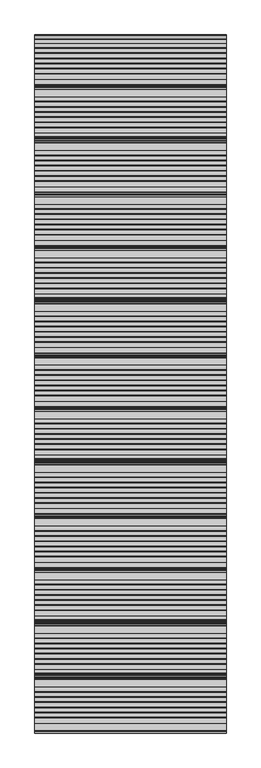
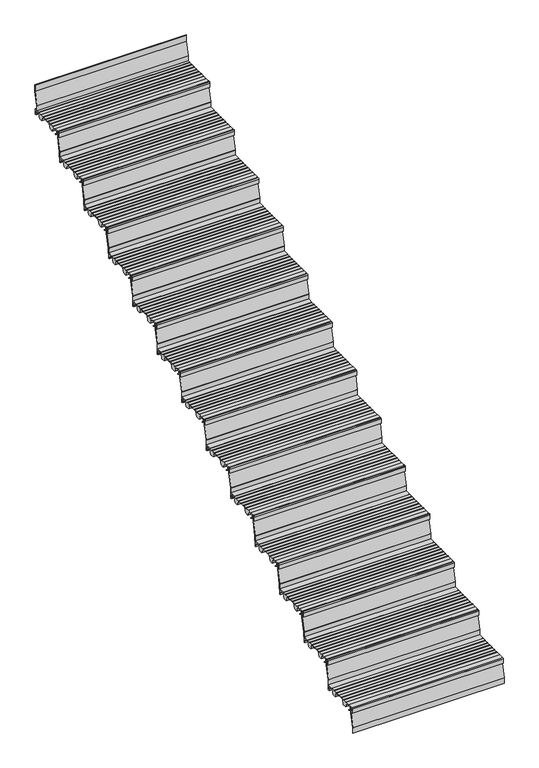
"""IFC4 building model written with IfcOpenShell, lengths in millimetres: stair flight geometry."""

from ifc_helpers import new_model, si_unit, point, frame, frame_2d, origin, place, context, project, spatial, polyline, circle_curve, trimmed, segment, composite_curve, outline, extrude, source, transform, mapped, element, save


def stair_flight_3bf7b53c(model_context):
    return source(origin(), model_context, "Body", "SweptSolid", [
        extrude(outline(composite_curve([segment(polyline([(-14035.7714581, 142.2436313), (-14024.0121655, 133.0961128), (-14020.5625929, 133.0885102), (-14020.5684453, 130.4330421), (-14024.9259703, 130.4426458), (-14038.2117943, 140.7776485), (-14038.8689923, 160.5772032), (-14055.6889024, 160.5401335), (-14055.6889024, 139.1885558), (-14049.7889347, 139.2015588), (-14049.7889347, 129.9429101), (-14058.9832568, 129.9429101), (-14058.9832568, 160.8235294)]), True, "CONTINUOUS"), segment(trimmed(circle_curve(frame_2d((-14053.9832568, 160.8235294)), 5.0), [point((-14058.9832568, 160.8235294))], [point((-14053.9832568, 165.8235294))], False, "CARTESIAN"), True, "CONTINUOUS"), segment(polyline([(-14053.9832568, 165.8235294), (-14019.2747035, 165.8235294), (-14019.2747035, 164.4415536), (-13989.2485475, 164.3753783), (-13989.2485475, 165.9642153), (-13987.213968, 165.9642153), (-13987.213968, 164.0199324), (-13962.3673917, 164.0199324), (-13962.3673917, 165.9642153), (-13960.3328122, 165.9642153), (-13960.3328122, 164.0199324), (-13935.4862358, 164.0199324), (-13935.4862358, 165.9642153), (-13933.4516563, 165.9642153), (-13933.4516563, 164.0199324), (-13908.60508, 164.0199324), (-13908.60508, 165.9642153), (-13906.5705005, 165.9642153), (-13906.5705005, 164.0199324), (-13881.7239241, 164.0199324), (-13881.7239241, 165.9642153), (-13879.6893446, 165.9642153), (-13879.6893446, 164.0199324), (-13854.852176, 164.0199324), (-13854.852176, 165.9642153), (-13852.8175965, 165.9642153), (-13852.8175965, 164.0199324), (-13827.9697223, 164.0199324), (-13827.9697223, 165.9094525), (-13788.9832568, 165.8235294), (-13788.9832568, 129.9226465), (-13798.1775789, 129.9429101), (-13798.1775789, 139.2015588), (-13792.2776112, 139.1885558), (-13792.2776112, 160.5401335), (-13830.4991521, 160.6243708), (-13841.2246336, 130.0377824), (-13866.1164136, 130.092642), (-13879.1103611, 161.2983621), (-13949.7810763, 161.4541148), (-13960.7051778, 130.3011082), (-13985.5969579, 130.3559677), (-13998.6696565, 161.7508134), (-14019.2747035, 161.7962253), (-14019.2747035, 160.6203875), (-14036.3801784, 160.5826884), (-14035.7714581, 142.2436313)]), True, "CONTINUOUS")], self_intersect=False)), frame((-11015.7515248, 0.0, 0.0), z_axis=(1.0, 0.0, 0.0), x_axis=(0.0, 1.0, 0.0)), (0.0, 0.0, 1.0), 1000.0),
        extrude(outline(composite_curve([segment(polyline([(-14047.4779196, 165.8235294), (-14045.4776692, 165.8235294), (-14045.4776692, 124.3665797)]), True, "CONTINUOUS"), segment(trimmed(circle_curve(frame_2d((-14049.3540568, 124.2822498)), 3.8773048), [point((-14045.4776692, 124.3665797))], [point((-14045.5840737, 123.376314))], False, "CARTESIAN"), True, "CONTINUOUS"), segment(polyline([(-14045.5840737, 123.376314), (-14066.9830064, 34.3262853), (-14066.9830064, -1.6764706), (-14068.9832568, -1.6764706), (-14068.9832568, 34.0170374)]), True, "CONTINUOUS"), segment(trimmed(circle_curve(frame_2d((-14064.394955, 34.0170374)), 4.5883018), [point((-14068.9832568, 34.0170374))], [point((-14068.8562551, 35.0890984))], False, "CARTESIAN"), True, "CONTINUOUS"), segment(polyline([(-14068.8562551, 35.0890984), (-14047.4779196, 124.0534134), (-14047.4779196, 165.8235294)]), True, "CONTINUOUS")], self_intersect=False)), frame((-11015.7515248, 0.0, 0.0), z_axis=(1.0, 0.0, 0.0), x_axis=(0.0, 1.0, 0.0)), (0.0, 0.0, 1.0), 1000.0),
        extrude(outline(composite_curve([segment(polyline([(-13767.4779196, 331.6470588), (-13765.4776692, 331.6470588), (-13765.4776692, 290.1901091)]), True, "CONTINUOUS"), segment(trimmed(circle_curve(frame_2d((-13769.3540568, 290.1057792)), 3.8773048), [point((-13765.4776692, 290.1901091))], [point((-13765.5840737, 289.1998434))], False, "CARTESIAN"), True, "CONTINUOUS"), segment(polyline([(-13765.5840737, 289.1998434), (-13786.9830064, 200.1498147), (-13786.9830064, 164.1470588), (-13788.9832568, 164.1470588), (-13788.9832568, 199.8405668)]), True, "CONTINUOUS"), segment(trimmed(circle_curve(frame_2d((-13784.394955, 199.8405668)), 4.5883018), [point((-13788.9832568, 199.8405668))], [point((-13788.8562551, 200.9126278))], False, "CARTESIAN"), True, "CONTINUOUS"), segment(polyline([(-13788.8562551, 200.9126278), (-13767.4779196, 289.8769428), (-13767.4779196, 331.6470588)]), True, "CONTINUOUS")], self_intersect=False)), frame((-11015.7515248, 0.0, 0.0), z_axis=(1.0, 0.0, 0.0), x_axis=(0.0, 1.0, 0.0)), (0.0, 0.0, 1.0), 1000.0),
        extrude(outline(composite_curve([segment(polyline([(-13755.7714581, 308.0671607), (-13744.0121655, 298.9196422), (-13740.5625929, 298.9120396), (-13740.5684453, 296.2565715), (-13744.9259703, 296.2661752), (-13758.2117943, 306.6011779), (-13758.8689923, 326.4007327), (-13775.6889024, 326.3636629), (-13775.6889024, 305.0120852), (-13769.7889347, 305.0250882), (-13769.7889347, 295.7664395), (-13778.9832568, 295.7664395), (-13778.9832568, 326.6470588)]), True, "CONTINUOUS"), segment(trimmed(circle_curve(frame_2d((-13773.9832568, 326.6470588)), 5.0), [point((-13778.9832568, 326.6470588))], [point((-13773.9832568, 331.6470588))], False, "CARTESIAN"), True, "CONTINUOUS"), segment(polyline([(-13773.9832568, 331.6470588), (-13739.2747035, 331.6470588), (-13739.2747035, 330.265083), (-13709.2485475, 330.1989077), (-13709.2485475, 331.7877447), (-13707.213968, 331.7877447), (-13707.213968, 329.8434618), (-13682.3673917, 329.8434618), (-13682.3673917, 331.7877447), (-13680.3328122, 331.7877447), (-13680.3328122, 329.8434618), (-13655.4862358, 329.8434618), (-13655.4862358, 331.7877447), (-13653.4516563, 331.7877447), (-13653.4516563, 329.8434618), (-13628.60508, 329.8434618), (-13628.60508, 331.7877447), (-13626.5705005, 331.7877447), (-13626.5705005, 329.8434618), (-13601.7239241, 329.8434618), (-13601.7239241, 331.7877447), (-13599.6893446, 331.7877447), (-13599.6893446, 329.8434618), (-13574.852176, 329.8434618), (-13574.852176, 331.7877447), (-13572.8175965, 331.7877447), (-13572.8175965, 329.8434618), (-13547.9697223, 329.8434618), (-13547.9697223, 331.7329819), (-13508.9832568, 331.6470588), (-13508.9832568, 295.7461759), (-13518.1775789, 295.7664395), (-13518.1775789, 305.0250882), (-13512.2776112, 305.0120852), (-13512.2776112, 326.3636629), (-13550.4991521, 326.4479002), (-13561.2246336, 295.8613118), (-13586.1164136, 295.9161714), (-13599.1103611, 327.1218915), (-13669.7810763, 327.2776442), (-13680.7051778, 296.1246376), (-13705.5969579, 296.1794971), (-13718.6696565, 327.5743428), (-13739.2747035, 327.6197548), (-13739.2747035, 326.4439169), (-13756.3801784, 326.4062178), (-13755.7714581, 308.0671607)]), True, "CONTINUOUS")], self_intersect=False)), frame((-11015.7515248, 0.0, 0.0), z_axis=(1.0, 0.0, 0.0), x_axis=(0.0, 1.0, 0.0)), (0.0, 0.0, 1.0), 1000.0),
        extrude(outline(composite_curve([segment(polyline([(-13487.4779196, 497.4705882), (-13485.4776692, 497.4705882), (-13485.4776692, 456.0136385)]), True, "CONTINUOUS"), segment(trimmed(circle_curve(frame_2d((-13489.3540568, 455.9293087)), 3.8773048), [point((-13485.4776692, 456.0136385))], [point((-13485.5840737, 455.0233728))], False, "CARTESIAN"), True, "CONTINUOUS"), segment(polyline([(-13485.5840737, 455.0233728), (-13506.9830064, 365.9733441), (-13506.9830064, 329.9705882), (-13508.9832568, 329.9705882), (-13508.9832568, 365.6640963)]), True, "CONTINUOUS"), segment(trimmed(circle_curve(frame_2d((-13504.394955, 365.6640963)), 4.5883018), [point((-13508.9832568, 365.6640963))], [point((-13508.8562551, 366.7361572))], False, "CARTESIAN"), True, "CONTINUOUS"), segment(polyline([(-13508.8562551, 366.7361572), (-13487.4779196, 455.7004722), (-13487.4779196, 497.4705882)]), True, "CONTINUOUS")], self_intersect=False)), frame((-11015.7515248, 0.0, 0.0), z_axis=(1.0, 0.0, 0.0), x_axis=(0.0, 1.0, 0.0)), (0.0, 0.0, 1.0), 1000.0),
        extrude(outline(composite_curve([segment(polyline([(-13475.7714581, 473.8906902), (-13464.0121655, 464.7431716), (-13460.5625929, 464.735569), (-13460.5684453, 462.080101), (-13464.9259703, 462.0897046), (-13478.2117943, 472.4247073), (-13478.8689923, 492.2242621), (-13495.6889024, 492.1871923), (-13495.6889024, 470.8356146), (-13489.7889347, 470.8486177), (-13489.7889347, 461.5899689), (-13498.9832568, 461.5899689), (-13498.9832568, 492.4705882)]), True, "CONTINUOUS"), segment(trimmed(circle_curve(frame_2d((-13493.9832568, 492.4705882)), 5.0), [point((-13498.9832568, 492.4705882))], [point((-13493.9832568, 497.4705882))], False, "CARTESIAN"), True, "CONTINUOUS"), segment(polyline([(-13493.9832568, 497.4705882), (-13459.2747035, 497.4705882), (-13459.2747035, 496.0886124), (-13429.2485475, 496.0224371), (-13429.2485475, 497.6112741), (-13427.213968, 497.6112741), (-13427.213968, 495.6669912), (-13402.3673917, 495.6669912), (-13402.3673917, 497.6112741), (-13400.3328122, 497.6112741), (-13400.3328122, 495.6669912), (-13375.4862358, 495.6669912), (-13375.4862358, 497.6112741), (-13373.4516563, 497.6112741), (-13373.4516563, 495.6669912), (-13348.60508, 495.6669912), (-13348.60508, 497.6112741), (-13346.5705005, 497.6112741), (-13346.5705005, 495.6669912), (-13321.7239241, 495.6669912), (-13321.7239241, 497.6112741), (-13319.6893446, 497.6112741), (-13319.6893446, 495.6669912), (-13294.852176, 495.6669912), (-13294.852176, 497.6112741), (-13292.8175965, 497.6112741), (-13292.8175965, 495.6669912), (-13267.9697223, 495.6669912), (-13267.9697223, 497.5565113), (-13228.9832568, 497.4705882), (-13228.9832568, 461.5697053), (-13238.1775789, 461.5899689), (-13238.1775789, 470.8486177), (-13232.2776112, 470.8356146), (-13232.2776112, 492.1871923), (-13270.4991521, 492.2714296), (-13281.2246336, 461.6848412), (-13306.1164136, 461.7397008), (-13319.1103611, 492.9454209), (-13389.7810763, 493.1011736), (-13400.7051778, 461.948167), (-13425.5969579, 462.0030265), (-13438.6696565, 493.3978723), (-13459.2747035, 493.4432842), (-13459.2747035, 492.2674463), (-13476.3801784, 492.2297472), (-13475.7714581, 473.8906902)]), True, "CONTINUOUS")], self_intersect=False)), frame((-11015.7515248, 0.0, 0.0), z_axis=(1.0, 0.0, 0.0), x_axis=(0.0, 1.0, 0.0)), (0.0, 0.0, 1.0), 1000.0),
        extrude(outline(composite_curve([segment(polyline([(-13207.4779196, 663.2941176), (-13205.4776692, 663.2941176), (-13205.4776692, 621.8371679)]), True, "CONTINUOUS"), segment(trimmed(circle_curve(frame_2d((-13209.3540568, 621.7528381)), 3.8773048), [point((-13205.4776692, 621.8371679))], [point((-13205.5840737, 620.8469022))], False, "CARTESIAN"), True, "CONTINUOUS"), segment(polyline([(-13205.5840737, 620.8469022), (-13226.9830064, 531.7968735), (-13226.9830064, 495.7941176), (-13228.9832568, 495.7941176), (-13228.9832568, 531.4876257)]), True, "CONTINUOUS"), segment(trimmed(circle_curve(frame_2d((-13224.394955, 531.4876257)), 4.5883018), [point((-13228.9832568, 531.4876257))], [point((-13228.8562551, 532.5596866))], False, "CARTESIAN"), True, "CONTINUOUS"), segment(polyline([(-13228.8562551, 532.5596866), (-13207.4779196, 621.5240017), (-13207.4779196, 663.2941176)]), True, "CONTINUOUS")], self_intersect=False)), frame((-11015.7515248, 0.0, 0.0), z_axis=(1.0, 0.0, 0.0), x_axis=(0.0, 1.0, 0.0)), (0.0, 0.0, 1.0), 1000.0),
        extrude(outline(composite_curve([segment(polyline([(-13195.7714581, 639.7142196), (-13184.0121655, 630.566701), (-13180.5625929, 630.5590984), (-13180.5684453, 627.9036304), (-13184.9259703, 627.913234), (-13198.2117943, 638.2482367), (-13198.8689923, 658.0477915), (-13215.6889024, 658.0107217), (-13215.6889024, 636.659144), (-13209.7889347, 636.6721471), (-13209.7889347, 627.4134983), (-13218.9832568, 627.4134983), (-13218.9832568, 658.2941176)]), True, "CONTINUOUS"), segment(trimmed(circle_curve(frame_2d((-13213.9832568, 658.2941176)), 5.0), [point((-13218.9832568, 658.2941176))], [point((-13213.9832568, 663.2941176))], False, "CARTESIAN"), True, "CONTINUOUS"), segment(polyline([(-13213.9832568, 663.2941176), (-13179.2747035, 663.2941176), (-13179.2747035, 661.9121418), (-13149.2485475, 661.8459665), (-13149.2485475, 663.4348035), (-13147.213968, 663.4348035), (-13147.213968, 661.4905206), (-13122.3673917, 661.4905206), (-13122.3673917, 663.4348035), (-13120.3328122, 663.4348035), (-13120.3328122, 661.4905206), (-13095.4862358, 661.4905206), (-13095.4862358, 663.4348035), (-13093.4516563, 663.4348035), (-13093.4516563, 661.4905206), (-13068.60508, 661.4905206), (-13068.60508, 663.4348035), (-13066.5705005, 663.4348035), (-13066.5705005, 661.4905206), (-13041.7239241, 661.4905206), (-13041.7239241, 663.4348035), (-13039.6893446, 663.4348035), (-13039.6893446, 661.4905206), (-13014.852176, 661.4905206), (-13014.852176, 663.4348035), (-13012.8175965, 663.4348035), (-13012.8175965, 661.4905206), (-12987.9697223, 661.4905206), (-12987.9697223, 663.3800408), (-12948.9832568, 663.2941176), (-12948.9832568, 627.3932348), (-12958.1775789, 627.4134983), (-12958.1775789, 636.6721471), (-12952.2776112, 636.659144), (-12952.2776112, 658.0107217), (-12990.4991521, 658.094959), (-13001.2246336, 627.5083707), (-13026.1164136, 627.5632302), (-13039.1103611, 658.7689503), (-13109.7810763, 658.9247031), (-13120.7051778, 627.7716964), (-13145.5969579, 627.8265559), (-13158.6696565, 659.2214017), (-13179.2747035, 659.2668136), (-13179.2747035, 658.0909758), (-13196.3801784, 658.0532766), (-13195.7714581, 639.7142196)]), True, "CONTINUOUS")], self_intersect=False)), frame((-11015.7515248, 0.0, 0.0), z_axis=(1.0, 0.0, 0.0), x_axis=(0.0, 1.0, 0.0)), (0.0, 0.0, 1.0), 1000.0),
        extrude(outline(composite_curve([segment(polyline([(-12927.4779196, 829.1176471), (-12925.4776692, 829.1176471), (-12925.4776692, 787.6606973)]), True, "CONTINUOUS"), segment(trimmed(circle_curve(frame_2d((-12929.3540568, 787.5763675)), 3.8773048), [point((-12925.4776692, 787.6606973))], [point((-12925.5840737, 786.6704316))], False, "CARTESIAN"), True, "CONTINUOUS"), segment(polyline([(-12925.5840737, 786.6704316), (-12946.9830064, 697.620403), (-12946.9830064, 661.6176471), (-12948.9832568, 661.6176471), (-12948.9832568, 697.3111551)]), True, "CONTINUOUS"), segment(trimmed(circle_curve(frame_2d((-12944.394955, 697.3111551)), 4.5883018), [point((-12948.9832568, 697.3111551))], [point((-12948.8562551, 698.3832161))], False, "CARTESIAN"), True, "CONTINUOUS"), segment(polyline([(-12948.8562551, 698.3832161), (-12927.4779196, 787.3475311), (-12927.4779196, 829.1176471)]), True, "CONTINUOUS")], self_intersect=False)), frame((-11015.7515248, 0.0, 0.0), z_axis=(1.0, 0.0, 0.0), x_axis=(0.0, 1.0, 0.0)), (0.0, 0.0, 1.0), 1000.0),
        extrude(outline(composite_curve([segment(polyline([(-12915.7714581, 805.537749), (-12904.0121655, 796.3902304), (-12900.5625929, 796.3826279), (-12900.5684453, 793.7271598), (-12904.9259703, 793.7367634), (-12918.2117943, 804.0717661), (-12918.8689923, 823.8713209), (-12935.6889024, 823.8342511), (-12935.6889024, 802.4826734), (-12929.7889347, 802.4956765), (-12929.7889347, 793.2370277), (-12938.9832568, 793.2370277), (-12938.9832568, 824.1176471)]), True, "CONTINUOUS"), segment(trimmed(circle_curve(frame_2d((-12933.9832568, 824.1176471)), 5.0), [point((-12938.9832568, 824.1176471))], [point((-12933.9832568, 829.1176471))], False, "CARTESIAN"), True, "CONTINUOUS"), segment(polyline([(-12933.9832568, 829.1176471), (-12899.2747035, 829.1176471), (-12899.2747035, 827.7356712), (-12869.2485475, 827.6694959), (-12869.2485475, 829.2583329), (-12867.213968, 829.2583329), (-12867.213968, 827.31405), (-12842.3673917, 827.31405), (-12842.3673917, 829.2583329), (-12840.3328122, 829.2583329), (-12840.3328122, 827.31405), (-12815.4862358, 827.31405), (-12815.4862358, 829.2583329), (-12813.4516563, 829.2583329), (-12813.4516563, 827.31405), (-12788.60508, 827.31405), (-12788.60508, 829.2583329), (-12786.5705005, 829.2583329), (-12786.5705005, 827.31405), (-12761.7239241, 827.31405), (-12761.7239241, 829.2583329), (-12759.6893446, 829.2583329), (-12759.6893446, 827.31405), (-12734.852176, 827.31405), (-12734.852176, 829.2583329), (-12732.8175965, 829.2583329), (-12732.8175965, 827.31405), (-12707.9697223, 827.31405), (-12707.9697223, 829.2035702), (-12668.9832568, 829.1176471), (-12668.9832568, 793.2167642), (-12678.1775789, 793.2370277), (-12678.1775789, 802.4956765), (-12672.2776112, 802.4826734), (-12672.2776112, 823.8342511), (-12710.4991521, 823.9184884), (-12721.2246336, 793.3319001), (-12746.1164136, 793.3867596), (-12759.1103611, 824.5924798), (-12829.7810763, 824.7482325), (-12840.7051778, 793.5952258), (-12865.5969579, 793.6500854), (-12878.6696565, 825.0449311), (-12899.2747035, 825.090343), (-12899.2747035, 823.9145052), (-12916.3801784, 823.876806), (-12915.7714581, 805.537749)]), True, "CONTINUOUS")], self_intersect=False)), frame((-11015.7515248, 0.0, 0.0), z_axis=(1.0, 0.0, 0.0), x_axis=(0.0, 1.0, 0.0)), (0.0, 0.0, 1.0), 1000.0),
        extrude(outline(composite_curve([segment(polyline([(-12647.4779196, 994.9411765), (-12645.4776692, 994.9411765), (-12645.4776692, 953.4842267)]), True, "CONTINUOUS"), segment(trimmed(circle_curve(frame_2d((-12649.3540568, 953.3998969)), 3.8773048), [point((-12645.4776692, 953.4842267))], [point((-12645.5840737, 952.493961))], False, "CARTESIAN"), True, "CONTINUOUS"), segment(polyline([(-12645.5840737, 952.493961), (-12666.9830064, 863.4439324), (-12666.9830064, 827.4411765), (-12668.9832568, 827.4411765), (-12668.9832568, 863.1346845)]), True, "CONTINUOUS"), segment(trimmed(circle_curve(frame_2d((-12664.394955, 863.1346845)), 4.5883018), [point((-12668.9832568, 863.1346845))], [point((-12668.8562551, 864.2067455))], False, "CARTESIAN"), True, "CONTINUOUS"), segment(polyline([(-12668.8562551, 864.2067455), (-12647.4779196, 953.1710605), (-12647.4779196, 994.9411765)]), True, "CONTINUOUS")], self_intersect=False)), frame((-11015.7515248, 0.0, 0.0), z_axis=(1.0, 0.0, 0.0), x_axis=(0.0, 1.0, 0.0)), (0.0, 0.0, 1.0), 1000.0),
        extrude(outline(composite_curve([segment(polyline([(-12635.7714581, 971.3612784), (-12624.0121655, 962.2137599), (-12620.5625929, 962.2061573), (-12620.5684453, 959.5506892), (-12624.9259703, 959.5602928), (-12638.2117943, 969.8952956), (-12638.8689923, 989.6948503), (-12655.6889024, 989.6577805), (-12655.6889024, 968.3062028), (-12649.7889347, 968.3192059), (-12649.7889347, 959.0605571), (-12658.9832568, 959.0605571), (-12658.9832568, 989.9411765)]), True, "CONTINUOUS"), segment(trimmed(circle_curve(frame_2d((-12653.9832568, 989.9411765)), 5.0), [point((-12658.9832568, 989.9411765))], [point((-12653.9832568, 994.9411765))], False, "CARTESIAN"), True, "CONTINUOUS"), segment(polyline([(-12653.9832568, 994.9411765), (-12619.2747035, 994.9411765), (-12619.2747035, 993.5592006), (-12589.2485475, 993.4930253), (-12589.2485475, 995.0818624), (-12587.213968, 995.0818624), (-12587.213968, 993.1375794), (-12562.3673917, 993.1375794), (-12562.3673917, 995.0818624), (-12560.3328122, 995.0818624), (-12560.3328122, 993.1375794), (-12535.4862358, 993.1375794), (-12535.4862358, 995.0818624), (-12533.4516563, 995.0818624), (-12533.4516563, 993.1375794), (-12508.60508, 993.1375794), (-12508.60508, 995.0818624), (-12506.5705005, 995.0818624), (-12506.5705005, 993.1375794), (-12481.7239241, 993.1375794), (-12481.7239241, 995.0818624), (-12479.6893446, 995.0818624), (-12479.6893446, 993.1375794), (-12454.852176, 993.1375794), (-12454.852176, 995.0818624), (-12452.8175965, 995.0818624), (-12452.8175965, 993.1375794), (-12427.9697223, 993.1375794), (-12427.9697223, 995.0270996), (-12388.9832568, 994.9411765), (-12388.9832568, 959.0402936), (-12398.1775789, 959.0605571), (-12398.1775789, 968.3192059), (-12392.2776112, 968.3062028), (-12392.2776112, 989.6577805), (-12430.4991521, 989.7420178), (-12441.2246336, 959.1554295), (-12466.1164136, 959.210289), (-12479.1103611, 990.4160092), (-12549.7810763, 990.5717619), (-12560.7051778, 959.4187552), (-12585.5969579, 959.4736148), (-12598.6696565, 990.8684605), (-12619.2747035, 990.9138724), (-12619.2747035, 989.7380346), (-12636.3801784, 989.7003355), (-12635.7714581, 971.3612784)]), True, "CONTINUOUS")], self_intersect=False)), frame((-11015.7515248, 0.0, 0.0), z_axis=(1.0, 0.0, 0.0), x_axis=(0.0, 1.0, 0.0)), (0.0, 0.0, 1.0), 1000.0),
        extrude(outline(composite_curve([segment(polyline([(-12367.4779196, 1160.7647059), (-12365.4776692, 1160.7647059), (-12365.4776692, 1119.3077562)]), True, "CONTINUOUS"), segment(trimmed(circle_curve(frame_2d((-12369.3540568, 1119.2234263)), 3.8773048), [point((-12365.4776692, 1119.3077562))], [point((-12365.5840737, 1118.3174904))], False, "CARTESIAN"), True, "CONTINUOUS"), segment(polyline([(-12365.5840737, 1118.3174904), (-12386.9830064, 1029.2674618), (-12386.9830064, 993.2647059), (-12388.9832568, 993.2647059), (-12388.9832568, 1028.9582139)]), True, "CONTINUOUS"), segment(trimmed(circle_curve(frame_2d((-12384.394955, 1028.9582139)), 4.5883018), [point((-12388.9832568, 1028.9582139))], [point((-12388.8562551, 1030.0302749))], False, "CARTESIAN"), True, "CONTINUOUS"), segment(polyline([(-12388.8562551, 1030.0302749), (-12367.4779196, 1118.9945899), (-12367.4779196, 1160.7647059)]), True, "CONTINUOUS")], self_intersect=False)), frame((-11015.7515248, 0.0, 0.0), z_axis=(1.0, 0.0, 0.0), x_axis=(0.0, 1.0, 0.0)), (0.0, 0.0, 1.0), 1000.0),
        extrude(outline(composite_curve([segment(polyline([(-12355.7714581, 1137.1848078), (-12344.0121655, 1128.0372893), (-12340.5625929, 1128.0296867), (-12340.5684453, 1125.3742186), (-12344.9259703, 1125.3838222), (-12358.2117943, 1135.718825), (-12358.8689923, 1155.5183797), (-12375.6889024, 1155.48131), (-12375.6889024, 1134.1297322), (-12369.7889347, 1134.1427353), (-12369.7889347, 1124.8840866), (-12378.9832568, 1124.8840866), (-12378.9832568, 1155.7647059)]), True, "CONTINUOUS"), segment(trimmed(circle_curve(frame_2d((-12373.9832568, 1155.7647059)), 5.0), [point((-12378.9832568, 1155.7647059))], [point((-12373.9832568, 1160.7647059))], False, "CARTESIAN"), True, "CONTINUOUS"), segment(polyline([(-12373.9832568, 1160.7647059), (-12339.2747035, 1160.7647059), (-12339.2747035, 1159.38273), (-12309.2485475, 1159.3165547), (-12309.2485475, 1160.9053918), (-12307.213968, 1160.9053918), (-12307.213968, 1158.9611088), (-12282.3673917, 1158.9611088), (-12282.3673917, 1160.9053918), (-12280.3328122, 1160.9053918), (-12280.3328122, 1158.9611088), (-12255.4862358, 1158.9611088), (-12255.4862358, 1160.9053918), (-12253.4516563, 1160.9053918), (-12253.4516563, 1158.9611088), (-12228.60508, 1158.9611088), (-12228.60508, 1160.9053918), (-12226.5705005, 1160.9053918), (-12226.5705005, 1158.9611088), (-12201.7239241, 1158.9611088), (-12201.7239241, 1160.9053918), (-12199.6893446, 1160.9053918), (-12199.6893446, 1158.9611088), (-12174.852176, 1158.9611088), (-12174.852176, 1160.9053918), (-12172.8175965, 1160.9053918), (-12172.8175965, 1158.9611088), (-12147.9697223, 1158.9611088), (-12147.9697223, 1160.850629), (-12108.9832568, 1160.7647059), (-12108.9832568, 1124.863823), (-12118.1775789, 1124.8840866), (-12118.1775789, 1134.1427353), (-12112.2776112, 1134.1297322), (-12112.2776112, 1155.48131), (-12150.4991521, 1155.5655472), (-12161.2246336, 1124.9789589), (-12186.1164136, 1125.0338184), (-12199.1103611, 1156.2395386), (-12269.7810763, 1156.3952913), (-12280.7051778, 1125.2422846), (-12305.5969579, 1125.2971442), (-12318.6696565, 1156.6919899), (-12339.2747035, 1156.7374018), (-12339.2747035, 1155.561564), (-12356.3801784, 1155.5238649), (-12355.7714581, 1137.1848078)]), True, "CONTINUOUS")], self_intersect=False)), frame((-11015.7515248, 0.0, 0.0), z_axis=(1.0, 0.0, 0.0), x_axis=(0.0, 1.0, 0.0)), (0.0, 0.0, 1.0), 1000.0),
        extrude(outline(composite_curve([segment(polyline([(-12087.4779196, 1326.5882353), (-12085.4776692, 1326.5882353), (-12085.4776692, 1285.1312856)]), True, "CONTINUOUS"), segment(trimmed(circle_curve(frame_2d((-12089.3540568, 1285.0469557)), 3.8773048), [point((-12085.4776692, 1285.1312856))], [point((-12085.5840737, 1284.1410199))], False, "CARTESIAN"), True, "CONTINUOUS"), segment(polyline([(-12085.5840737, 1284.1410199), (-12106.9830064, 1195.0909912), (-12106.9830064, 1159.0882353), (-12108.9832568, 1159.0882353), (-12108.9832568, 1194.7817433)]), True, "CONTINUOUS"), segment(trimmed(circle_curve(frame_2d((-12104.394955, 1194.7817433)), 4.5883018), [point((-12108.9832568, 1194.7817433))], [point((-12108.8562551, 1195.8538043))], False, "CARTESIAN"), True, "CONTINUOUS"), segment(polyline([(-12108.8562551, 1195.8538043), (-12087.4779196, 1284.8181193), (-12087.4779196, 1326.5882353)]), True, "CONTINUOUS")], self_intersect=False)), frame((-11015.7515248, 0.0, 0.0), z_axis=(1.0, 0.0, 0.0), x_axis=(0.0, 1.0, 0.0)), (0.0, 0.0, 1.0), 1000.0),
        extrude(outline(composite_curve([segment(polyline([(-12075.7714581, 1303.0083372), (-12064.0121655, 1293.8608187), (-12060.5625929, 1293.8532161), (-12060.5684453, 1291.197748), (-12064.9259703, 1291.2073517), (-12078.2117943, 1301.5423544), (-12078.8689923, 1321.3419091), (-12095.6889024, 1321.3048394), (-12095.6889024, 1299.9532616), (-12089.7889347, 1299.9662647), (-12089.7889347, 1290.707616), (-12098.9832568, 1290.707616), (-12098.9832568, 1321.5882353)]), True, "CONTINUOUS"), segment(trimmed(circle_curve(frame_2d((-12093.9832568, 1321.5882353)), 5.0), [point((-12098.9832568, 1321.5882353))], [point((-12093.9832568, 1326.5882353))], False, "CARTESIAN"), True, "CONTINUOUS"), segment(polyline([(-12093.9832568, 1326.5882353), (-12059.2747035, 1326.5882353), (-12059.2747035, 1325.2062594), (-12029.2485475, 1325.1400841), (-12029.2485475, 1326.7289212), (-12027.213968, 1326.7289212), (-12027.213968, 1324.7846383), (-12002.3673917, 1324.7846383), (-12002.3673917, 1326.7289212), (-12000.3328122, 1326.7289212), (-12000.3328122, 1324.7846383), (-11975.4862358, 1324.7846383), (-11975.4862358, 1326.7289212), (-11973.4516563, 1326.7289212), (-11973.4516563, 1324.7846383), (-11948.60508, 1324.7846383), (-11948.60508, 1326.7289212), (-11946.5705005, 1326.7289212), (-11946.5705005, 1324.7846383), (-11921.7239241, 1324.7846383), (-11921.7239241, 1326.7289212), (-11919.6893446, 1326.7289212), (-11919.6893446, 1324.7846383), (-11894.852176, 1324.7846383), (-11894.852176, 1326.7289212), (-11892.8175965, 1326.7289212), (-11892.8175965, 1324.7846383), (-11867.9697223, 1324.7846383), (-11867.9697223, 1326.6741584), (-11828.9832568, 1326.5882353), (-11828.9832568, 1290.6873524), (-11838.1775789, 1290.707616), (-11838.1775789, 1299.9662647), (-11832.2776112, 1299.9532616), (-11832.2776112, 1321.3048394), (-11870.4991521, 1321.3890766), (-11881.2246336, 1290.8024883), (-11906.1164136, 1290.8573478), (-11919.1103611, 1322.063068), (-11989.7810763, 1322.2188207), (-12000.7051778, 1291.0658141), (-12025.5969579, 1291.1206736), (-12038.6696565, 1322.5155193), (-12059.2747035, 1322.5609312), (-12059.2747035, 1321.3850934), (-12076.3801784, 1321.3473943), (-12075.7714581, 1303.0083372)]), True, "CONTINUOUS")], self_intersect=False)), frame((-11015.7515248, 0.0, 0.0), z_axis=(1.0, 0.0, 0.0), x_axis=(0.0, 1.0, 0.0)), (0.0, 0.0, 1.0), 1000.0),
        extrude(outline(composite_curve([segment(polyline([(-11807.4779196, 1492.4117647), (-11805.4776692, 1492.4117647), (-11805.4776692, 1450.954815)]), True, "CONTINUOUS"), segment(trimmed(circle_curve(frame_2d((-11809.3540568, 1450.8704851)), 3.8773048), [point((-11805.4776692, 1450.954815))], [point((-11805.5840737, 1449.9645493))], False, "CARTESIAN"), True, "CONTINUOUS"), segment(polyline([(-11805.5840737, 1449.9645493), (-11826.9830064, 1360.9145206), (-11826.9830064, 1324.9117647), (-11828.9832568, 1324.9117647), (-11828.9832568, 1360.6052727)]), True, "CONTINUOUS"), segment(trimmed(circle_curve(frame_2d((-11824.394955, 1360.6052727)), 4.5883018), [point((-11828.9832568, 1360.6052727))], [point((-11828.8562551, 1361.6773337))], False, "CARTESIAN"), True, "CONTINUOUS"), segment(polyline([(-11828.8562551, 1361.6773337), (-11807.4779196, 1450.6416487), (-11807.4779196, 1492.4117647)]), True, "CONTINUOUS")], self_intersect=False)), frame((-11015.7515248, 0.0, 0.0), z_axis=(1.0, 0.0, 0.0), x_axis=(0.0, 1.0, 0.0)), (0.0, 0.0, 1.0), 1000.0),
        extrude(outline(composite_curve([segment(polyline([(-11795.7714581, 1468.8318666), (-11784.0121655, 1459.6843481), (-11780.5625929, 1459.6767455), (-11780.5684453, 1457.0212774), (-11784.9259703, 1457.0308811), (-11798.2117943, 1467.3658838), (-11798.8689923, 1487.1654385), (-11815.6889024, 1487.1283688), (-11815.6889024, 1465.7767911), (-11809.7889347, 1465.7897941), (-11809.7889347, 1456.5311454), (-11818.9832568, 1456.5311454), (-11818.9832568, 1487.4117647)]), True, "CONTINUOUS"), segment(trimmed(circle_curve(frame_2d((-11813.9832568, 1487.4117647)), 5.0), [point((-11818.9832568, 1487.4117647))], [point((-11813.9832568, 1492.4117647))], False, "CARTESIAN"), True, "CONTINUOUS"), segment(polyline([(-11813.9832568, 1492.4117647), (-11779.2747035, 1492.4117647), (-11779.2747035, 1491.0297889), (-11749.2485475, 1490.9636136), (-11749.2485475, 1492.5524506), (-11747.213968, 1492.5524506), (-11747.213968, 1490.6081677), (-11722.3673917, 1490.6081677), (-11722.3673917, 1492.5524506), (-11720.3328122, 1492.5524506), (-11720.3328122, 1490.6081677), (-11695.4862358, 1490.6081677), (-11695.4862358, 1492.5524506), (-11693.4516563, 1492.5524506), (-11693.4516563, 1490.6081677), (-11668.60508, 1490.6081677), (-11668.60508, 1492.5524506), (-11666.5705005, 1492.5524506), (-11666.5705005, 1490.6081677), (-11641.7239241, 1490.6081677), (-11641.7239241, 1492.5524506), (-11639.6893446, 1492.5524506), (-11639.6893446, 1490.6081677), (-11614.852176, 1490.6081677), (-11614.852176, 1492.5524506), (-11612.8175965, 1492.5524506), (-11612.8175965, 1490.6081677), (-11587.9697223, 1490.6081677), (-11587.9697223, 1492.4976878), (-11548.9832568, 1492.4117647), (-11548.9832568, 1456.5108818), (-11558.1775789, 1456.5311454), (-11558.1775789, 1465.7897941), (-11552.2776112, 1465.7767911), (-11552.2776112, 1487.1283688), (-11590.4991521, 1487.2126061), (-11601.2246336, 1456.6260177), (-11626.1164136, 1456.6808772), (-11639.1103611, 1487.8865974), (-11709.7810763, 1488.0423501), (-11720.7051778, 1456.8893435), (-11745.5969579, 1456.944203), (-11758.6696565, 1488.3390487), (-11779.2747035, 1488.3844606), (-11779.2747035, 1487.2086228), (-11796.3801784, 1487.1709237), (-11795.7714581, 1468.8318666)]), True, "CONTINUOUS")], self_intersect=False)), frame((-11015.7515248, 0.0, 0.0), z_axis=(1.0, 0.0, 0.0), x_axis=(0.0, 1.0, 0.0)), (0.0, 0.0, 1.0), 1000.0),
        extrude(outline(composite_curve([segment(polyline([(-11527.4779196, 1658.2352941), (-11525.4776692, 1658.2352941), (-11525.4776692, 1616.7783444)]), True, "CONTINUOUS"), segment(trimmed(circle_curve(frame_2d((-11529.3540568, 1616.6940145)), 3.8773048), [point((-11525.4776692, 1616.7783444))], [point((-11525.5840737, 1615.7880787))], False, "CARTESIAN"), True, "CONTINUOUS"), segment(polyline([(-11525.5840737, 1615.7880787), (-11546.9830064, 1526.73805), (-11546.9830064, 1490.7352941), (-11548.9832568, 1490.7352941), (-11548.9832568, 1526.4288021)]), True, "CONTINUOUS"), segment(trimmed(circle_curve(frame_2d((-11544.394955, 1526.4288021)), 4.5883018), [point((-11548.9832568, 1526.4288021))], [point((-11548.8562551, 1527.5008631))], False, "CARTESIAN"), True, "CONTINUOUS"), segment(polyline([(-11548.8562551, 1527.5008631), (-11527.4779196, 1616.4651781), (-11527.4779196, 1658.2352941)]), True, "CONTINUOUS")], self_intersect=False)), frame((-11015.7515248, 0.0, 0.0), z_axis=(1.0, 0.0, 0.0), x_axis=(0.0, 1.0, 0.0)), (0.0, 0.0, 1.0), 1000.0),
        extrude(outline(composite_curve([segment(polyline([(-11515.7714581, 1634.655396), (-11504.0121655, 1625.5078775), (-11500.5625929, 1625.5002749), (-11500.5684453, 1622.8448068), (-11504.9259703, 1622.8544105), (-11518.2117943, 1633.1894132), (-11518.8689923, 1652.988968), (-11535.6889024, 1652.9518982), (-11535.6889024, 1631.6003205), (-11529.7889347, 1631.6133235), (-11529.7889347, 1622.3546748), (-11538.9832568, 1622.3546748), (-11538.9832568, 1653.2352941)]), True, "CONTINUOUS"), segment(trimmed(circle_curve(frame_2d((-11533.9832568, 1653.2352941)), 5.0), [point((-11538.9832568, 1653.2352941))], [point((-11533.9832568, 1658.2352941))], False, "CARTESIAN"), True, "CONTINUOUS"), segment(polyline([(-11533.9832568, 1658.2352941), (-11499.2747035, 1658.2352941), (-11499.2747035, 1656.8533183), (-11469.2485475, 1656.787143), (-11469.2485475, 1658.37598), (-11467.213968, 1658.37598), (-11467.213968, 1656.4316971), (-11442.3673917, 1656.4316971), (-11442.3673917, 1658.37598), (-11440.3328122, 1658.37598), (-11440.3328122, 1656.4316971), (-11415.4862358, 1656.4316971), (-11415.4862358, 1658.37598), (-11413.4516563, 1658.37598), (-11413.4516563, 1656.4316971), (-11388.60508, 1656.4316971), (-11388.60508, 1658.37598), (-11386.5705005, 1658.37598), (-11386.5705005, 1656.4316971), (-11361.7239241, 1656.4316971), (-11361.7239241, 1658.37598), (-11359.6893446, 1658.37598), (-11359.6893446, 1656.4316971), (-11334.852176, 1656.4316971), (-11334.852176, 1658.37598), (-11332.8175965, 1658.37598), (-11332.8175965, 1656.4316971), (-11307.9697223, 1656.4316971), (-11307.9697223, 1658.3212172), (-11268.9832568, 1658.2352941), (-11268.9832568, 1622.3344112), (-11278.1775789, 1622.3546748), (-11278.1775789, 1631.6133235), (-11272.2776112, 1631.6003205), (-11272.2776112, 1652.9518982), (-11310.4991521, 1653.0361355), (-11321.2246336, 1622.4495471), (-11346.1164136, 1622.5044067), (-11359.1103611, 1653.7101268), (-11429.7810763, 1653.8658795), (-11440.7051778, 1622.7128729), (-11465.5969579, 1622.7677324), (-11478.6696565, 1654.1625781), (-11499.2747035, 1654.2079901), (-11499.2747035, 1653.0321522), (-11516.3801784, 1652.9944531), (-11515.7714581, 1634.655396)]), True, "CONTINUOUS")], self_intersect=False)), frame((-11015.7515248, 0.0, 0.0), z_axis=(1.0, 0.0, 0.0), x_axis=(0.0, 1.0, 0.0)), (0.0, 0.0, 1.0), 1000.0),
        extrude(outline(composite_curve([segment(polyline([(-11247.4779196, 1824.0588235), (-11245.4776692, 1824.0588235), (-11245.4776692, 1782.6018738)]), True, "CONTINUOUS"), segment(trimmed(circle_curve(frame_2d((-11249.3540568, 1782.5175439)), 3.8773048), [point((-11245.4776692, 1782.6018738))], [point((-11245.5840737, 1781.6116081))], False, "CARTESIAN"), True, "CONTINUOUS"), segment(polyline([(-11245.5840737, 1781.6116081), (-11266.9830064, 1692.5615794), (-11266.9830064, 1656.5588235), (-11268.9832568, 1656.5588235), (-11268.9832568, 1692.2523315)]), True, "CONTINUOUS"), segment(trimmed(circle_curve(frame_2d((-11264.394955, 1692.2523315)), 4.5883018), [point((-11268.9832568, 1692.2523315))], [point((-11268.8562551, 1693.3243925))], False, "CARTESIAN"), True, "CONTINUOUS"), segment(polyline([(-11268.8562551, 1693.3243925), (-11247.4779196, 1782.2887075), (-11247.4779196, 1824.0588235)]), True, "CONTINUOUS")], self_intersect=False)), frame((-11015.7515248, 0.0, 0.0), z_axis=(1.0, 0.0, 0.0), x_axis=(0.0, 1.0, 0.0)), (0.0, 0.0, 1.0), 1000.0),
        extrude(outline(composite_curve([segment(polyline([(-11235.7714581, 1800.4789255), (-11224.0121655, 1791.3314069), (-11220.5625929, 1791.3238043), (-11220.5684453, 1788.6683362), (-11224.9259703, 1788.6779399), (-11238.2117943, 1799.0129426), (-11238.8689923, 1818.8124974), (-11255.6889024, 1818.7754276), (-11255.6889024, 1797.4238499), (-11249.7889347, 1797.436853), (-11249.7889347, 1788.1782042), (-11258.9832568, 1788.1782042), (-11258.9832568, 1819.0588235)]), True, "CONTINUOUS"), segment(trimmed(circle_curve(frame_2d((-11253.9832568, 1819.0588235)), 5.0), [point((-11258.9832568, 1819.0588235))], [point((-11253.9832568, 1824.0588235))], False, "CARTESIAN"), True, "CONTINUOUS"), segment(polyline([(-11253.9832568, 1824.0588235), (-11219.2747035, 1824.0588235), (-11219.2747035, 1822.6768477), (-11189.2485475, 1822.6106724), (-11189.2485475, 1824.1995094), (-11187.213968, 1824.1995094), (-11187.213968, 1822.2552265), (-11162.3673917, 1822.2552265), (-11162.3673917, 1824.1995094), (-11160.3328122, 1824.1995094), (-11160.3328122, 1822.2552265), (-11135.4862358, 1822.2552265), (-11135.4862358, 1824.1995094), (-11133.4516563, 1824.1995094), (-11133.4516563, 1822.2552265), (-11108.60508, 1822.2552265), (-11108.60508, 1824.1995094), (-11106.5705005, 1824.1995094), (-11106.5705005, 1822.2552265), (-11081.7239241, 1822.2552265), (-11081.7239241, 1824.1995094), (-11079.6893446, 1824.1995094), (-11079.6893446, 1822.2552265), (-11054.852176, 1822.2552265), (-11054.852176, 1824.1995094), (-11052.8175965, 1824.1995094), (-11052.8175965, 1822.2552265), (-11027.9697223, 1822.2552265), (-11027.9697223, 1824.1447466), (-10988.9832568, 1824.0588235), (-10988.9832568, 1788.1579406), (-10998.1775789, 1788.1782042), (-10998.1775789, 1797.436853), (-10992.2776112, 1797.4238499), (-10992.2776112, 1818.7754276), (-11030.4991521, 1818.8596649), (-11041.2246336, 1788.2730765), (-11066.1164136, 1788.3279361), (-11079.1103611, 1819.5336562), (-11149.7810763, 1819.6894089), (-11160.7051778, 1788.5364023), (-11185.5969579, 1788.5912618), (-11198.6696565, 1819.9861076), (-11219.2747035, 1820.0315195), (-11219.2747035, 1818.8556816), (-11236.3801784, 1818.8179825), (-11235.7714581, 1800.4789255)]), True, "CONTINUOUS")], self_intersect=False)), frame((-11015.7515248, 0.0, 0.0), z_axis=(1.0, 0.0, 0.0), x_axis=(0.0, 1.0, 0.0)), (0.0, 0.0, 1.0), 1000.0),
        extrude(outline(composite_curve([segment(polyline([(-10967.4779196, 1989.8823529), (-10965.4776692, 1989.8823529), (-10965.4776692, 1948.4254032)]), True, "CONTINUOUS"), segment(trimmed(circle_curve(frame_2d((-10969.3540568, 1948.3410734)), 3.8773048), [point((-10965.4776692, 1948.4254032))], [point((-10965.5840737, 1947.4351375))], False, "CARTESIAN"), True, "CONTINUOUS"), segment(polyline([(-10965.5840737, 1947.4351375), (-10986.9830064, 1858.3851088), (-10986.9830064, 1822.3823529), (-10988.9832568, 1822.3823529), (-10988.9832568, 1858.075861)]), True, "CONTINUOUS"), segment(trimmed(circle_curve(frame_2d((-10984.394955, 1858.075861)), 4.5883018), [point((-10988.9832568, 1858.075861))], [point((-10988.8562551, 1859.1479219))], False, "CARTESIAN"), True, "CONTINUOUS"), segment(polyline([(-10988.8562551, 1859.1479219), (-10967.4779196, 1948.112237), (-10967.4779196, 1989.8823529)]), True, "CONTINUOUS")], self_intersect=False)), frame((-11015.7515248, 0.0, 0.0), z_axis=(1.0, 0.0, 0.0), x_axis=(0.0, 1.0, 0.0)), (0.0, 0.0, 1.0), 1000.0),
        extrude(outline(composite_curve([segment(polyline([(-10955.7714581, 1966.3024549), (-10944.0121655, 1957.1549363), (-10940.5625929, 1957.1473337), (-10940.5684453, 1954.4918657), (-10944.9259703, 1954.5014693), (-10958.2117943, 1964.836472), (-10958.8689923, 1984.6360268), (-10975.6889024, 1984.598957), (-10975.6889024, 1963.2473793), (-10969.7889347, 1963.2603824), (-10969.7889347, 1954.0017336), (-10978.9832568, 1954.0017336), (-10978.9832568, 1984.8823529)]), True, "CONTINUOUS"), segment(trimmed(circle_curve(frame_2d((-10973.9832568, 1984.8823529)), 5.0), [point((-10978.9832568, 1984.8823529))], [point((-10973.9832568, 1989.8823529))], False, "CARTESIAN"), True, "CONTINUOUS"), segment(polyline([(-10973.9832568, 1989.8823529), (-10939.2747035, 1989.8823529), (-10939.2747035, 1988.5003771), (-10909.2485475, 1988.4342018), (-10909.2485475, 1990.0230388), (-10907.213968, 1990.0230388), (-10907.213968, 1988.0787559), (-10882.3673917, 1988.0787559), (-10882.3673917, 1990.0230388), (-10880.3328122, 1990.0230388), (-10880.3328122, 1988.0787559), (-10855.4862358, 1988.0787559), (-10855.4862358, 1990.0230388), (-10853.4516563, 1990.0230388), (-10853.4516563, 1988.0787559), (-10828.60508, 1988.0787559), (-10828.60508, 1990.0230388), (-10826.5705005, 1990.0230388), (-10826.5705005, 1988.0787559), (-10801.7239241, 1988.0787559), (-10801.7239241, 1990.0230388), (-10799.6893446, 1990.0230388), (-10799.6893446, 1988.0787559), (-10774.852176, 1988.0787559), (-10774.852176, 1990.0230388), (-10772.8175965, 1990.0230388), (-10772.8175965, 1988.0787559), (-10747.9697223, 1988.0787559), (-10747.9697223, 1989.9682761), (-10708.9832568, 1989.8823529), (-10708.9832568, 1953.9814701), (-10718.1775789, 1954.0017336), (-10718.1775789, 1963.2603824), (-10712.2776112, 1963.2473793), (-10712.2776112, 1984.598957), (-10750.4991521, 1984.6831943), (-10761.2246336, 1954.096606), (-10786.1164136, 1954.1514655), (-10799.1103611, 1985.3571856), (-10869.7810763, 1985.5129384), (-10880.7051778, 1954.3599317), (-10905.5969579, 1954.4147912), (-10918.6696565, 1985.809637), (-10939.2747035, 1985.8550489), (-10939.2747035, 1984.6792111), (-10956.3801784, 1984.6415119), (-10955.7714581, 1966.3024549)]), True, "CONTINUOUS")], self_intersect=False)), frame((-11015.7515248, 0.0, 0.0), z_axis=(1.0, 0.0, 0.0), x_axis=(0.0, 1.0, 0.0)), (0.0, 0.0, 1.0), 1000.0),
        extrude(outline(composite_curve([segment(polyline([(-10427.4779196, 2321.5294118), (-10425.4776692, 2321.5294118), (-10425.4776692, 2280.072462)]), True, "CONTINUOUS"), segment(trimmed(circle_curve(frame_2d((-10429.3540568, 2279.9881322)), 3.8773048), [point((-10425.4776692, 2280.072462))], [point((-10425.5840737, 2279.0821963))], False, "CARTESIAN"), True, "CONTINUOUS"), segment(polyline([(-10425.5840737, 2279.0821963), (-10446.9830064, 2190.0321677), (-10446.9830064, 2154.0294118), (-10448.9832568, 2154.0294118), (-10448.9832568, 2189.7229198)]), True, "CONTINUOUS"), segment(trimmed(circle_curve(frame_2d((-10444.394955, 2189.7229198)), 4.5883018), [point((-10448.9832568, 2189.7229198))], [point((-10448.8562551, 2190.7949808))], False, "CARTESIAN"), True, "CONTINUOUS"), segment(polyline([(-10448.8562551, 2190.7949808), (-10427.4779196, 2279.7592958), (-10427.4779196, 2321.5294118)]), True, "CONTINUOUS")], self_intersect=False)), frame((-11015.7515248, 0.0, 0.0), z_axis=(1.0, 0.0, 0.0), x_axis=(0.0, 1.0, 0.0)), (0.0, 0.0, 1.0), 1000.0),
        extrude(outline(composite_curve([segment(polyline([(-10687.4779196, 2155.7058824), (-10685.4776692, 2155.7058824), (-10685.4776692, 2114.2489326)]), True, "CONTINUOUS"), segment(trimmed(circle_curve(frame_2d((-10689.3540568, 2114.1646028)), 3.8773048), [point((-10685.4776692, 2114.2489326))], [point((-10685.5840737, 2113.2586669))], False, "CARTESIAN"), True, "CONTINUOUS"), segment(polyline([(-10685.5840737, 2113.2586669), (-10706.9830064, 2024.2086383), (-10706.9830064, 1988.2058824), (-10708.9832568, 1988.2058824), (-10708.9832568, 2023.8993904)]), True, "CONTINUOUS"), segment(trimmed(circle_curve(frame_2d((-10704.394955, 2023.8993904)), 4.5883018), [point((-10708.9832568, 2023.8993904))], [point((-10708.8562551, 2024.9714513))], False, "CARTESIAN"), True, "CONTINUOUS"), segment(polyline([(-10708.8562551, 2024.9714513), (-10687.4779196, 2113.9357664), (-10687.4779196, 2155.7058824)]), True, "CONTINUOUS")], self_intersect=False)), frame((-11015.7515248, 0.0, 0.0), z_axis=(1.0, 0.0, 0.0), x_axis=(0.0, 1.0, 0.0)), (0.0, 0.0, 1.0), 1000.0),
        extrude(outline(composite_curve([segment(polyline([(-10675.7714581, 2132.1259843), (-10664.0121655, 2122.9784657), (-10660.5625929, 2122.9708632), (-10660.5684453, 2120.3153951), (-10664.9259703, 2120.3249987), (-10678.2117943, 2130.6600014), (-10678.8689923, 2150.4595562), (-10695.6889024, 2150.4224864), (-10695.6889024, 2129.0709087), (-10689.7889347, 2129.0839118), (-10689.7889347, 2119.825263), (-10698.9832568, 2119.825263), (-10698.9832568, 2150.7058824)]), True, "CONTINUOUS"), segment(trimmed(circle_curve(frame_2d((-10693.9832568, 2150.7058824)), 5.0), [point((-10698.9832568, 2150.7058824))], [point((-10693.9832568, 2155.7058824))], False, "CARTESIAN"), True, "CONTINUOUS"), segment(polyline([(-10693.9832568, 2155.7058824), (-10659.2747035, 2155.7058824), (-10659.2747035, 2154.3239065), (-10629.2485475, 2154.2577312), (-10629.2485475, 2155.8465682), (-10627.213968, 2155.8465682), (-10627.213968, 2153.9022853), (-10602.3673917, 2153.9022853), (-10602.3673917, 2155.8465682), (-10600.3328122, 2155.8465682), (-10600.3328122, 2153.9022853), (-10575.4862358, 2153.9022853), (-10575.4862358, 2155.8465682), (-10573.4516563, 2155.8465682), (-10573.4516563, 2153.9022853), (-10548.60508, 2153.9022853), (-10548.60508, 2155.8465682), (-10546.5705005, 2155.8465682), (-10546.5705005, 2153.9022853), (-10521.7239241, 2153.9022853), (-10521.7239241, 2155.8465682), (-10519.6893446, 2155.8465682), (-10519.6893446, 2153.9022853), (-10494.852176, 2153.9022853), (-10494.852176, 2155.8465682), (-10492.8175965, 2155.8465682), (-10492.8175965, 2153.9022853), (-10467.9697223, 2153.9022853), (-10467.9697223, 2155.7918055), (-10428.9832568, 2155.7058824), (-10428.9832568, 2119.8049995), (-10438.1775789, 2119.825263), (-10438.1775789, 2129.0839118), (-10432.2776112, 2129.0709087), (-10432.2776112, 2150.4224864), (-10470.4991521, 2150.5067237), (-10481.2246336, 2119.9201354), (-10506.1164136, 2119.9749949), (-10519.1103611, 2151.180715), (-10589.7810763, 2151.3364678), (-10600.7051778, 2120.1834611), (-10625.5969579, 2120.2383207), (-10638.6696565, 2151.6331664), (-10659.2747035, 2151.6785783), (-10659.2747035, 2150.5027405), (-10676.3801784, 2150.4650413), (-10675.7714581, 2132.1259843)]), True, "CONTINUOUS")], self_intersect=False)), frame((-11015.7515248, 0.0, 0.0), z_axis=(1.0, 0.0, 0.0), x_axis=(0.0, 1.0, 0.0)), (0.0, 0.0, 1.0), 1000.0),
    ])


if __name__ == "__main__":
    model = new_model("IFC4")
    model_context = context("Model", 3, world=origin())
    ifc_project = project(units=[si_unit("LENGTHUNIT", "METRE", prefix="MILLI")], contexts=[model_context])
    site = spatial("IfcSite", under=ifc_project)
    building = spatial("IfcBuilding", under=site)
    placement = place(None, origin())
    stair_flight_shape = stair_flight_3bf7b53c(model_context)
    element("IfcStairFlight", 1, at=placement, inside=building, context=model_context, shape_type="MappedRepresentation", body=[
        mapped(stair_flight_shape, transform((0.0, 0.0, 0.0), x_axis=(1.0, 0.0, 0.0), y_axis=(0.0, 1.0, 0.0), z_axis=(0.0, 0.0, 1.0))),
    ])
    save(model, "model.ifc")
